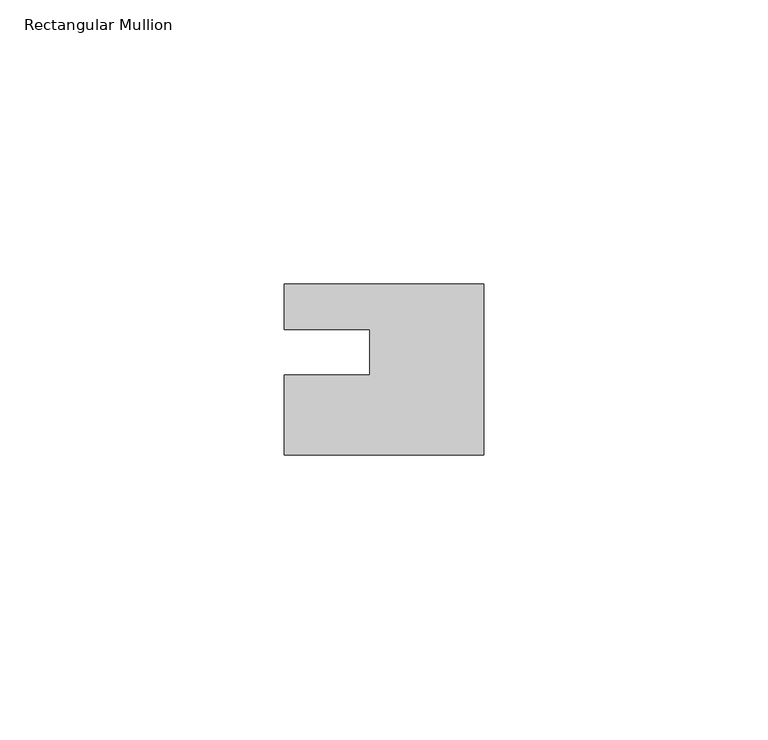
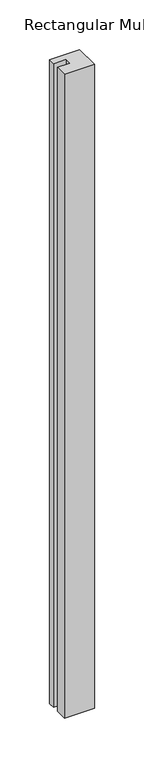
"""IFC4 building model written with IfcOpenShell, lengths in millimetres: member geometry, Rectangular Mullion."""

from ifc_helpers import new_model, si_unit, frame, origin, place, context, project, spatial, polyline, outline, extrude, source, transform, mapped, element, save


def rectangular_mullion_72bd6390(model_context):
    return source(origin(), model_context, "Body", "SweptSolid", [
        extrude(outline(polyline([(0.0, 7.94), (0.0, -22.06), (-35.0, -22.06), (-35.0, -8.0), (-20.0, -8.0), (-20.0, 0.001), (-35.0, 0.001), (-35.0, 7.94), (0.0, 7.94)])), frame((0.0, 0.0, -792.0), z_axis=(0.0, 0.0, 1.0), x_axis=(1.0, 0.0, 0.0)), (0.0, 0.0, 1.0), 792.0),
    ])


if __name__ == "__main__":
    model = new_model("IFC4")
    model_context = context("Model", 3, world=origin())
    ifc_project = project(units=[si_unit("LENGTHUNIT", "METRE", prefix="MILLI")], contexts=[model_context])
    site = spatial("IfcSite", under=ifc_project)
    building = spatial("IfcBuilding", under=site)
    placement = place(None, origin())
    rectangular_mullion_shape = rectangular_mullion_72bd6390(model_context)
    element("IfcMember", 1, ObjectType="Rectangular Mullion", at=placement, inside=building, context=model_context, shape_type="MappedRepresentation", body=[
        mapped(rectangular_mullion_shape, transform((0.0, 0.0, 0.0), x_axis=(1.0, 0.0, 0.0), y_axis=(0.0, 1.0, 0.0), z_axis=(0.0, 0.0, 1.0))),
    ])
    save(model, "model.ifc")
